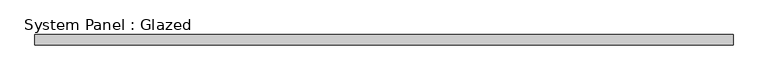
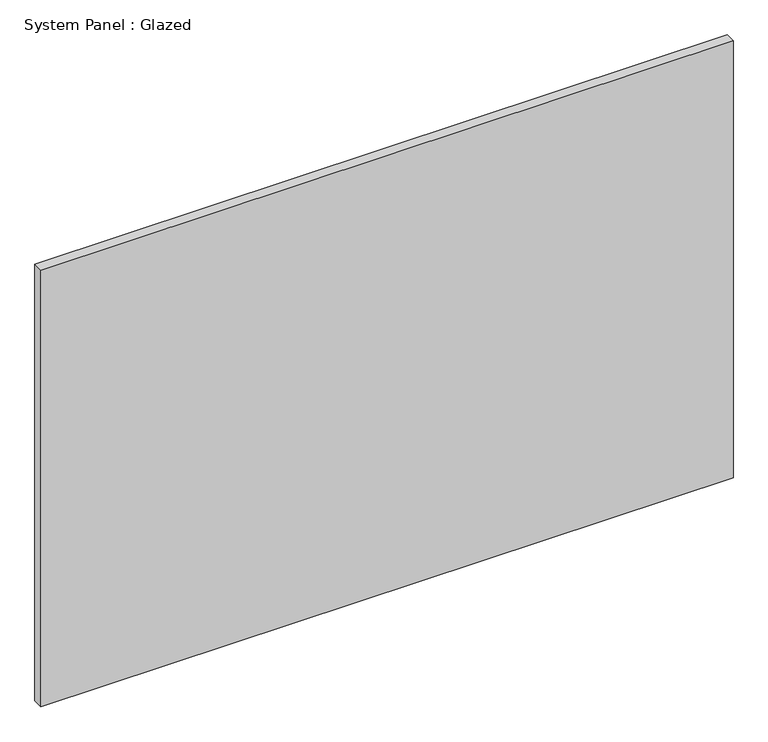
"""IFC4 building model written with IfcOpenShell, lengths in millimetres: plate geometry, System Panel : Glazed."""

import ifcopenshell
import ifcopenshell.guid

model = None  # the IFC model being written
_history = None  # IfcOwnerHistory: only IFC2X3 demands one
_inside = {}  # id of a spatial element -> (the spatial element, [elements in it])
_under = {}  # id of a project, library or spatial element -> (it, [spatial elements below it])
_declared = {}  # id of a project -> (the project, [libraries it declares])
_typed = {}  # id of a type object -> (the type object, [elements of that type])
_made_of = {}  # id of a material, layer set ... -> (it, [elements and type objects made of it])


def new_model(schema):
    """Start an empty IFC model of exactly this schema.

    Asked for "IFC4X3", IfcOpenShell would pick the latest addendum, in which some entities
    have other attributes; the version numbers below select the first issue.
    IFC2X3 requires an IfcOwnerHistory on every rooted entity: one is made here for all.
    """
    global model, _history
    if schema == "IFC4X3":
        model = ifcopenshell.file(schema_version=(4, 3, 0, 0))
    else:
        model = ifcopenshell.file(schema=schema)
    _inside.clear()
    _under.clear()
    _declared.clear()
    _typed.clear()
    _made_of.clear()
    _history = None
    if model.schema == "IFC2X3":
        org = make("IfcOrganization", Name="unknown")
        user = make(
            "IfcPersonAndOrganization",
            ThePerson=make("IfcPerson", FamilyName="unknown"),
            TheOrganization=org,
        )
        app = make(
            "IfcApplication",
            ApplicationDeveloper=org,
            Version="unknown",
            ApplicationFullName="unknown",
            ApplicationIdentifier="unknown",
        )
        _history = make(
            "IfcOwnerHistory",
            OwningUser=user,
            OwningApplication=app,
            ChangeAction="ADDED",
            CreationDate=0,
        )
    return model


def make(cls, **values):
    """One entity of the class cls with the attributes given. An attribute that is None is left unset."""
    return model.create_entity(
        cls, **{name: value for name, value in values.items() if value is not None}
    )


def rooted(cls, **values):
    """An entity with a GlobalId (a new one), such as an element, a storey or a relation."""
    return make(cls, GlobalId=ifcopenshell.guid.new(), OwnerHistory=_history, **values)


def si_unit(unit_type, name, prefix=None):
    """IfcSIUnit, for example si_unit("LENGTHUNIT", "METRE", prefix="MILLI")."""
    return make("IfcSIUnit", UnitType=unit_type, Prefix=prefix, Name=name)


def assignment(units):
    """IfcUnitAssignment: the units of a project."""
    return None if units is None else make("IfcUnitAssignment", Units=units)


def point(xyz):
    """IfcCartesianPoint."""
    return None if xyz is None else make("IfcCartesianPoint", Coordinates=xyz)


def direction(xyz):
    """IfcDirection."""
    return None if xyz is None else make("IfcDirection", DirectionRatios=xyz)


def frame(location, z_axis=None, x_axis=None):
    """IfcAxis2Placement3D, a coordinate frame: its origin and axes. An axis left out is left unset."""
    return make(
        "IfcAxis2Placement3D",
        Location=point(location),
        Axis=direction(z_axis),
        RefDirection=direction(x_axis),
    )


def origin():
    """The frame at (0, 0, 0) with its axes left unset."""
    return frame((0.0, 0.0, 0.0))


def origin_with_axes():
    """The frame at (0, 0, 0) with the z axis (0, 0, 1) and the x axis (1, 0, 0) written out."""
    return frame((0.0, 0.0, 0.0), z_axis=(0.0, 0.0, 1.0), x_axis=(1.0, 0.0, 0.0))


def place(relative_to, where):
    """IfcLocalPlacement: puts the frame where relative to a parent placement (None: the world)."""
    return make(
        "IfcLocalPlacement", PlacementRelTo=relative_to, RelativePlacement=where
    )


def context(
    kind, dimensions, precision=None, world=None, true_north=None, identifier=None
):
    """IfcGeometricRepresentationContext, for example the 3D "Model" context."""
    return make(
        "IfcGeometricRepresentationContext",
        ContextIdentifier=identifier,
        ContextType=kind,
        CoordinateSpaceDimension=dimensions,
        Precision=precision,
        WorldCoordinateSystem=world,
        TrueNorth=true_north,
    )


def project(units=None, contexts=None):
    """IfcProject with its units and contexts."""
    return rooted(
        "IfcProject",
        Name="project",
        RepresentationContexts=contexts,
        UnitsInContext=assignment(units),
    )


def spatial(cls, under=None, at=None, **own):
    """A site, building, storey or space (cls), placed at a placement, below another one or the project."""
    s = rooted(cls, ObjectPlacement=at, **own)
    if under is not None:
        _under.setdefault(under.id(), (under, []))[1].append(s)
    return s


def polyline(points):
    """IfcPolyline through the points."""
    return make("IfcPolyline", Points=[point(p) for p in points])


def outline(outer, holes=None, kind="AREA"):
    """IfcArbitraryClosedProfileDef: a profile drawn as a closed curve; with holes, ...WithVoids."""
    if holes is None:
        return make("IfcArbitraryClosedProfileDef", ProfileType=kind, OuterCurve=outer)
    return make(
        "IfcArbitraryProfileDefWithVoids",
        ProfileType=kind,
        OuterCurve=outer,
        InnerCurves=holes,
    )


def extrude(swept, where, along, depth):
    """IfcExtrudedAreaSolid: the profile swept, set in the frame where, extruded along a direction by depth."""
    return make(
        "IfcExtrudedAreaSolid",
        SweptArea=swept,
        Position=where,
        ExtrudedDirection=direction(along),
        Depth=depth,
    )


def shape(context_of_items, identifier, shape_type, items):
    """IfcShapeRepresentation: the items that make up one representation, for example the "Body"."""
    return make(
        "IfcShapeRepresentation",
        ContextOfItems=context_of_items,
        RepresentationIdentifier=identifier,
        RepresentationType=shape_type,
        Items=items,
    )


def source(mapping_origin, context_of_items, identifier, shape_type, items):
    """IfcRepresentationMap: a shape defined once, which mapped items show again and again."""
    return make(
        "IfcRepresentationMap",
        MappingOrigin=mapping_origin,
        MappedRepresentation=shape(context_of_items, identifier, shape_type, items),
    )


def transform(
    local_origin,
    x_axis=None,
    y_axis=None,
    z_axis=None,
    scale=None,
    scale2=None,
    scale3=None,
    uniform=True,
):
    """IfcCartesianTransformationOperator3D, or its non-uniform kind. x_axis, y_axis, z_axis: its Axis1, 2, 3."""
    if uniform:
        return make(
            "IfcCartesianTransformationOperator3D",
            Axis1=direction(x_axis),
            Axis2=direction(y_axis),
            LocalOrigin=point(local_origin),
            Scale=scale,
            Axis3=direction(z_axis),
        )
    return make(
        "IfcCartesianTransformationOperator3DnonUniform",
        Axis1=direction(x_axis),
        Axis2=direction(y_axis),
        LocalOrigin=point(local_origin),
        Scale=scale,
        Axis3=direction(z_axis),
        Scale2=scale2,
        Scale3=scale3,
    )


def mapped(mapping_source, mapping_target):
    """IfcMappedItem: shows the shape of a source again, moved by a transform."""
    return make(
        "IfcMappedItem", MappingSource=mapping_source, MappingTarget=mapping_target
    )


def made_of(thing, what):
    """Note that an element or type object is made of a material, layer set ...; save() writes the relation."""
    if what is not None:
        _made_of.setdefault(what.id(), (what, []))[1].append(thing)
    return thing


def element(
    cls,
    number,
    at=None,
    inside=None,
    cuts=None,
    type_object=None,
    material=None,
    context=None,
    identifier="Body",
    shape_type=None,
    held_by="IfcProductDefinitionShape",
    body=None,
    shapes=None,
    **own,
):
    """One element of the class cls, such as IfcWall. Its Tag is "e" and its number.

    at: its placement. inside: the storey or other place that contains it. cuts: it is an
    opening in that element (IfcRelVoidsElement). A single representation is given by context,
    identifier, shape_type and body (its items); several are given by shapes. held_by: the class
    of the entity that holds the representations. save() writes the other relations.
    """
    e = rooted(cls, Tag="e%d" % number, ObjectPlacement=at, **own)
    if body is not None:
        shapes = [shape(context, identifier, shape_type, body)]
    if shapes is not None:
        e.Representation = make(held_by, Representations=shapes)
    if inside is not None:
        _inside.setdefault(inside.id(), (inside, []))[1].append(e)
    if cuts is not None:
        rooted(
            "IfcRelVoidsElement", RelatingBuildingElement=cuts, RelatedOpeningElement=e
        )
    if type_object is not None:
        _typed.setdefault(type_object.id(), (type_object, []))[1].append(e)
    return made_of(e, material)


def aggregate(whole, parts):
    """IfcRelAggregates: a whole, such as a stair, and the parts it consists of."""
    return rooted("IfcRelAggregates", RelatingObject=whole, RelatedObjects=parts)


def save(model, path):
    """Write the relations noted so far, then the file.

    IfcRelAggregates (storeys below a building ...), IfcRelContainedInSpatialStructure (elements
    in a storey), IfcRelDefinesByType, IfcRelAssociatesMaterial and IfcRelDeclares: one each for
    every whole, place, type object, material and project.
    """
    for whole, parts in _under.values():
        aggregate(whole, parts)
    for where, things in _inside.values():
        rooted(
            "IfcRelContainedInSpatialStructure",
            RelatedElements=things,
            RelatingStructure=where,
        )
    for kind, things in _typed.values():
        rooted("IfcRelDefinesByType", RelatedObjects=things, RelatingType=kind)
    for what, things in _made_of.values():
        rooted("IfcRelAssociatesMaterial", RelatedObjects=things, RelatingMaterial=what)
    for by, libraries in _declared.values():
        rooted("IfcRelDeclares", RelatingContext=by, RelatedDefinitions=libraries)
    model.write(path)


def system_panel_glazed_fea95d7a(model_context):
    return source(origin(), model_context, "Body", "SweptSolid", [
        extrude(outline(polyline([(861.4833333, -12.7), (-861.4833333, -12.7), (-861.4833333, 12.7), (861.4833333, 12.7), (861.4833333, -12.7)])), origin_with_axes(), (0.0, 0.0, 1.0), 1149.35),
    ])


if __name__ == "__main__":
    model = new_model("IFC4")
    model_context = context("Model", 3, world=origin())
    ifc_project = project(units=[si_unit("LENGTHUNIT", "METRE", prefix="MILLI")], contexts=[model_context])
    site = spatial("IfcSite", under=ifc_project)
    building = spatial("IfcBuilding", under=site)
    placement = place(None, origin())
    system_panel_glazed_shape = system_panel_glazed_fea95d7a(model_context)
    element("IfcPlate", 1, ObjectType="System Panel : Glazed", at=placement, inside=building, context=model_context, shape_type="MappedRepresentation", body=[
        mapped(system_panel_glazed_shape, transform((0.0, 0.0, 0.0), x_axis=(1.0, 0.0, 0.0), y_axis=(0.0, 1.0, 0.0), z_axis=(0.0, 0.0, 1.0))),
    ])
    save(model, "model.ifc")
